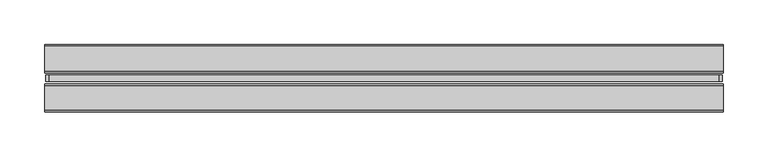
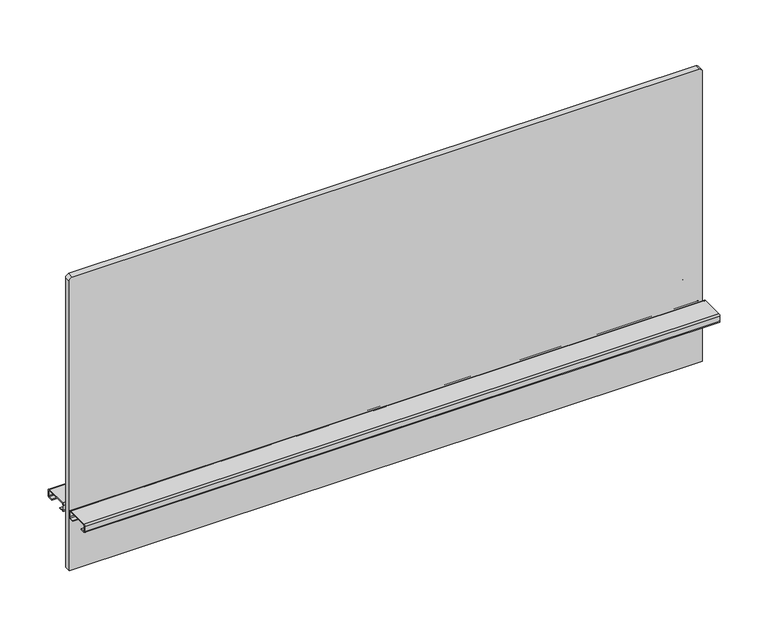
"""IFC4 building model written with IfcOpenShell, lengths in millimetres: furniture geometry."""

from ifc_helpers import new_model, si_unit, point, frame, frame_2d, origin, place, context, project, spatial, polyline, circle_curve, trimmed, segment, composite_curve, outline, extrude, source, transform, mapped, element, save


def furniture_3397f14c(model_context):
    return source(origin(), model_context, "Body", "SweptSolid", [
        extrude(outline(composite_curve([segment(polyline([(1061.313613, 375.92), (1061.313613, -375.92)]), True, "CONTINUOUS"), segment(trimmed(circle_curve(frame_2d((1057.503613, -375.92)), 3.81), [point((1061.313613, -375.92))], [point((1057.503613, -379.73))], False, "CARTESIAN"), True, "CONTINUOUS"), segment(polyline([(1057.503613, -379.73), (689.965613, -379.73), (689.965613, 379.73), (1057.503613, 379.73)]), True, "CONTINUOUS"), segment(trimmed(circle_curve(frame_2d((1057.503613, 375.92)), 3.81), [point((1057.503613, 379.73))], [point((1061.313613, 375.92))], False, "CARTESIAN"), True, "CONTINUOUS")], self_intersect=False)), frame((0.0, -3.683001, 0.0), z_axis=(0.0, 1.0, 0.0), x_axis=(0.0, 0.0, 1.0)), (0.0, 0.0, 1.0), 7.3660021),
        extrude(outline(composite_curve([segment(polyline([(8.1724496, 769.2644064), (36.0679996, 769.2644064)]), True, "CONTINUOUS"), segment(trimmed(circle_curve(frame_2d((36.0679996, 767.2324064)), 2.032), [point((36.0679996, 769.2644064))], [point((38.0999996, 767.2324064))], False, "CARTESIAN"), True, "CONTINUOUS"), segment(polyline([(38.0999996, 767.2324064), (38.0999996, 761.1364161)]), True, "CONTINUOUS"), segment(trimmed(circle_curve(frame_2d((36.0679996, 761.1364161)), 2.032), [point((38.0999996, 761.1364161))], [point((36.0679996, 759.1044161))], False, "CARTESIAN"), True, "CONTINUOUS"), segment(polyline([(36.0679996, 759.1044161), (30.7784504, 759.1044161), (30.7784504, 760.0187498), (36.1695996, 760.0187498)]), True, "CONTINUOUS"), segment(trimmed(circle_curve(frame_2d((36.1695996, 761.0347498)), 1.016), [point((36.1695996, 760.0187498))], [point((37.1855996, 761.0347498))], True, "CARTESIAN"), True, "CONTINUOUS"), segment(polyline([(37.1855996, 761.0347498), (37.1855996, 767.334)]), True, "CONTINUOUS"), segment(trimmed(circle_curve(frame_2d((36.1695996, 767.334)), 1.016), [point((37.1855996, 767.334))], [point((36.1695996, 768.35))], True, "CARTESIAN"), True, "CONTINUOUS"), segment(polyline([(36.1695996, 768.35), (8.0708496, 768.35)]), True, "CONTINUOUS"), segment(trimmed(circle_curve(frame_2d((8.0708496, 767.334)), 1.016), [point((8.0708496, 768.35))], [point((7.0548496, 767.334))], True, "CARTESIAN"), True, "CONTINUOUS"), segment(polyline([(7.0548496, 767.334), (7.0548496, 761.0347498)]), True, "CONTINUOUS"), segment(trimmed(circle_curve(frame_2d((8.0708496, 761.0347498)), 1.016), [point((7.0548496, 761.0347498))], [point((8.0708496, 760.0187498))], True, "CARTESIAN"), True, "CONTINUOUS"), segment(polyline([(8.0708496, 760.0187498), (13.4619988, 760.0187498), (13.4619988, 759.1044161), (8.1724496, 759.1044161)]), True, "CONTINUOUS"), segment(trimmed(circle_curve(frame_2d((8.1724496, 761.1364161)), 2.032), [point((8.1724496, 759.1044161))], [point((6.1404496, 761.1364161))], False, "CARTESIAN"), True, "CONTINUOUS"), segment(polyline([(6.1404496, 761.1364161), (6.1404496, 767.2324064)]), True, "CONTINUOUS"), segment(trimmed(circle_curve(frame_2d((8.1724496, 767.2324064)), 2.032), [point((6.1404496, 767.2324064))], [point((8.1724496, 769.2644064))], False, "CARTESIAN"), True, "CONTINUOUS")], self_intersect=False)), frame((-381.0, 0.0, 0.0), z_axis=(1.0, 0.0, 0.0), x_axis=(0.0, 1.0, 0.0)), (0.0, 0.0, 1.0), 762.0),
        extrude(outline(composite_curve([segment(trimmed(circle_curve(frame_2d((-8.1724496, 767.2324064)), 2.032), [point((-8.1724496, 769.2644064))], [point((-6.1404496, 767.2324064))], False, "CARTESIAN"), True, "CONTINUOUS"), segment(polyline([(-6.1404496, 767.2324064), (-6.1404496, 761.1364161)]), True, "CONTINUOUS"), segment(trimmed(circle_curve(frame_2d((-8.1724496, 761.1364161)), 2.032), [point((-6.1404496, 761.1364161))], [point((-8.1724496, 759.1044161))], False, "CARTESIAN"), True, "CONTINUOUS"), segment(polyline([(-8.1724496, 759.1044161), (-13.4619988, 759.1044161), (-13.4619988, 760.0187498), (-8.0708496, 760.0187498)]), True, "CONTINUOUS"), segment(trimmed(circle_curve(frame_2d((-8.0708496, 761.0347498)), 1.016), [point((-8.0708496, 760.0187498))], [point((-7.0548496, 761.0347498))], True, "CARTESIAN"), True, "CONTINUOUS"), segment(polyline([(-7.0548496, 761.0347498), (-7.0548496, 767.334)]), True, "CONTINUOUS"), segment(trimmed(circle_curve(frame_2d((-8.0708496, 767.334)), 1.016), [point((-7.0548496, 767.334))], [point((-8.0708496, 768.35))], True, "CARTESIAN"), True, "CONTINUOUS"), segment(polyline([(-8.0708496, 768.35), (-36.1695996, 768.35)]), True, "CONTINUOUS"), segment(trimmed(circle_curve(frame_2d((-36.1695996, 767.334)), 1.016), [point((-36.1695996, 768.35))], [point((-37.1855996, 767.334))], True, "CARTESIAN"), True, "CONTINUOUS"), segment(polyline([(-37.1855996, 767.334), (-37.1855996, 761.0347498)]), True, "CONTINUOUS"), segment(trimmed(circle_curve(frame_2d((-36.1695996, 761.0347498)), 1.016), [point((-37.1855996, 761.0347498))], [point((-36.1695996, 760.0187498))], True, "CARTESIAN"), True, "CONTINUOUS"), segment(polyline([(-36.1695996, 760.0187498), (-30.7784504, 760.0187498), (-30.7784504, 759.1044161), (-36.0679996, 759.1044161)]), True, "CONTINUOUS"), segment(trimmed(circle_curve(frame_2d((-36.0679996, 761.1364161)), 2.032), [point((-36.0679996, 759.1044161))], [point((-38.0999996, 761.1364161))], False, "CARTESIAN"), True, "CONTINUOUS"), segment(polyline([(-38.0999996, 761.1364161), (-38.0999996, 767.2324064)]), True, "CONTINUOUS"), segment(trimmed(circle_curve(frame_2d((-36.0679996, 767.2324064)), 2.032), [point((-38.0999996, 767.2324064))], [point((-36.0679996, 769.2644064))], False, "CARTESIAN"), True, "CONTINUOUS"), segment(polyline([(-36.0679996, 769.2644064), (-8.1724496, 769.2644064)]), True, "CONTINUOUS")], self_intersect=False)), frame((-381.0, 0.0, 0.0), z_axis=(1.0, 0.0, 0.0), x_axis=(0.0, 1.0, 0.0)), (0.0, 0.0, 1.0), 762.0),
    ])


if __name__ == "__main__":
    model = new_model("IFC4")
    model_context = context("Model", 3, world=origin())
    ifc_project = project(units=[si_unit("LENGTHUNIT", "METRE", prefix="MILLI")], contexts=[model_context])
    site = spatial("IfcSite", under=ifc_project)
    building = spatial("IfcBuilding", under=site)
    placement = place(None, origin())
    furniture_shape = furniture_3397f14c(model_context)
    element("IfcFurniture", 1, at=placement, inside=building, context=model_context, shape_type="MappedRepresentation", body=[
        mapped(furniture_shape, transform((0.0, 0.0, 0.0), x_axis=(1.0, 0.0, 0.0), y_axis=(0.0, 1.0, 0.0), z_axis=(0.0, 0.0, 1.0))),
    ])
    save(model, "model.ifc")
